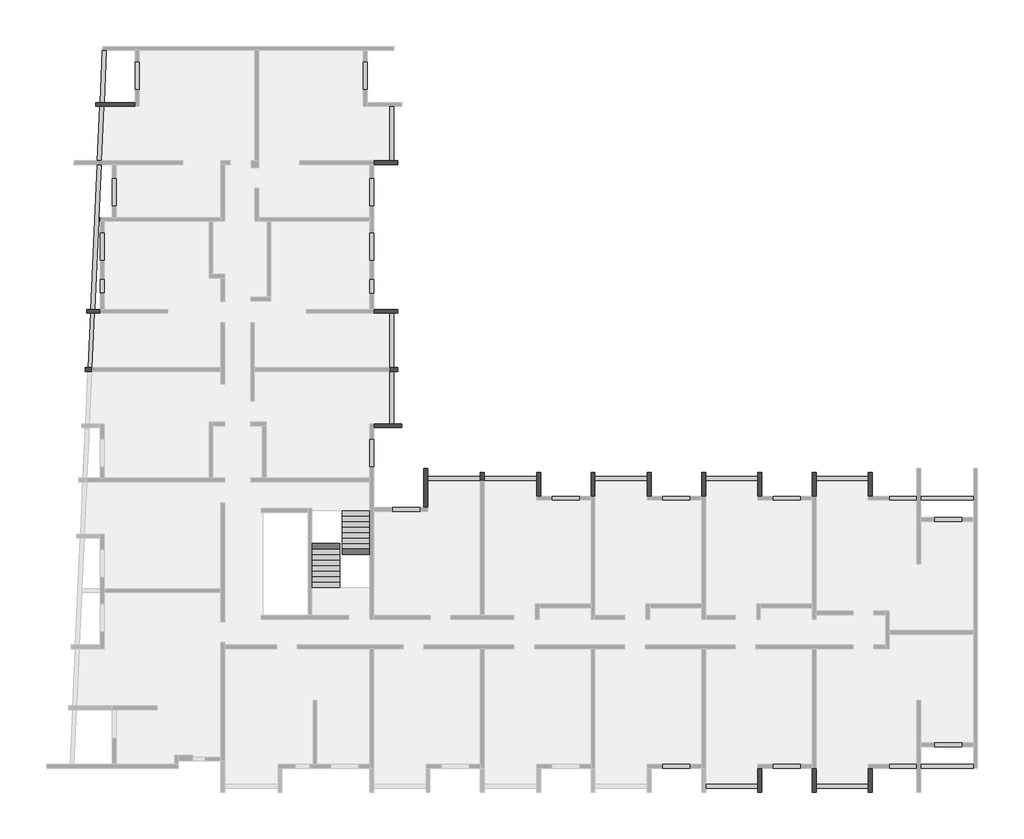
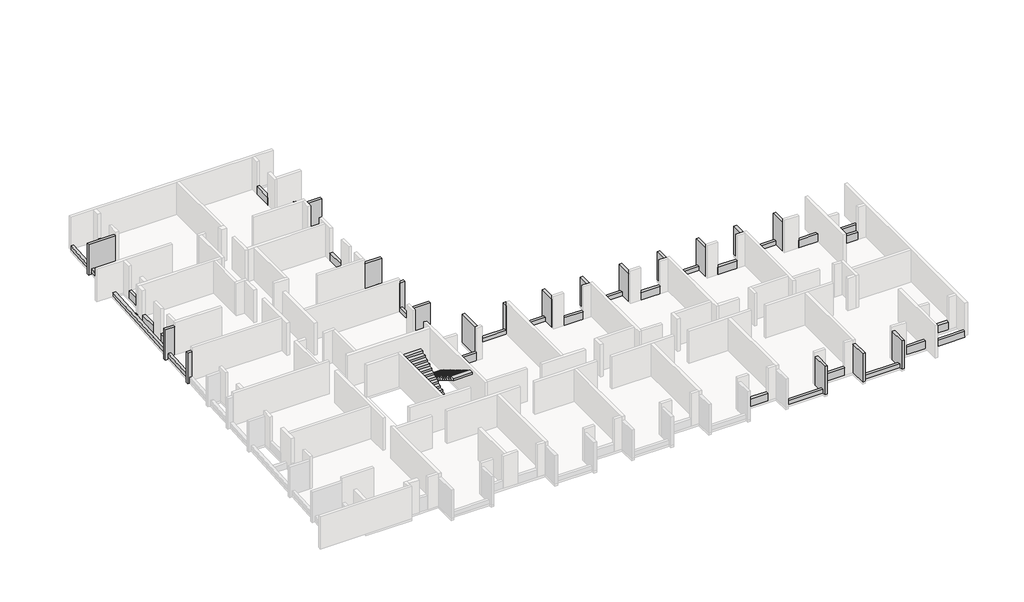
# One storey, part 4 of 4: 55 beams, 2 stair flights.
"""IFC4 building model written with IfcOpenShell, lengths in millimetres."""

from ifc_helpers import new_model, si_unit, frame, origin, place, context, project, spatial, polyline, outline, extrude, faceted_brep, element, save

model = new_model("IFC4")

# Units and contexts
model_context = context("Model", 3, world=origin())
ifc_project = project(units=[si_unit("LENGTHUNIT", "METRE", prefix="MILLI")], contexts=[model_context])

# Site, building, storey
site = spatial("IfcSite", under=ifc_project)
building = spatial("IfcBuilding", under=site)
storey = spatial("IfcBuildingStorey", under=building, Elevation=7230.0)

# Beams
placement = place(None, origin())
element("IfcBeam", 1, ObjectType="VI. 20/238", at=placement, inside=storey, context=model_context, shape_type="Brep", body=[
    faceted_brep([(-43135.6912908, 4000.9327501, 9460.0), (-43135.6912908, 4000.9327501, 7230.0), (-43135.6912908, 4000.9327501, 7080.0), (-43135.6912908, 4200.9327501, 7080.0), (-43135.6912908, 4200.9327501, 7230.0), (-43135.6912908, 4200.9327501, 9460.0), (-43830.6912908, 4000.9327501, 9460.0), (-43830.6912908, 4200.9327501, 9460.0), (-43830.6912908, 4200.9327501, 7080.0), (-43830.6912908, 4000.9327501, 7080.0)], [[[0, 1, 2, 3, 4, 5]], [[6, 7, 8, 9]], [[2, 1, 0, 6, 9]], [[3, 2, 9, 8]], [[5, 4, 3, 8, 7]], [[0, 5, 7, 6]]]),
])
element("IfcBeam", 2, ObjectType="VI. 20/238", at=placement, inside=storey, context=model_context, shape_type="Brep", body=[
    faceted_brep([(-3415.6912908, -5419.0672499, 9460.0), (-3615.6912908, -5419.0672499, 9460.0), (-3615.6912908, -5419.0672499, 7230.0), (-3415.6912908, -5419.0672499, 7230.0), (-3615.6912908, -4199.0672499, 9460.0), (-3415.6912908, -4199.0672499, 9460.0), (-3415.6912908, -4199.0672499, 7230.0), (-3615.6912908, -4199.0672499, 7230.0), (-3615.6912908, -4399.0672499, 7230.0), (-3615.6912908, -4599.0672499, 7230.0)], [[[0, 1, 2, 3]], [[4, 5, 6, 7]], [[1, 4, 7, 8, 9, 2]], [[5, 0, 3, 6]], [[1, 0, 5, 4]], [[3, 2, 9, 8, 7, 6]]]),
])
element("IfcBeam", 3, ObjectType="VI. 20/238", at=placement, inside=storey, context=model_context, shape_type="Brep", body=[
    faceted_brep([(-9105.6912908, -5419.0672499, 9460.0), (-9305.6912908, -5419.0672499, 9460.0), (-9305.6912908, -5419.0672499, 7230.0), (-9105.6912908, -5419.0672499, 7230.0), (-9305.6912908, -4199.0672499, 9460.0), (-9105.6912908, -4199.0672499, 9460.0), (-9105.6912908, -4199.0672499, 7230.0), (-9305.6912908, -4199.0672499, 7230.0), (-9305.6912908, -4399.0672499, 7230.0), (-9305.6912908, -4599.0672499, 7230.0)], [[[0, 1, 2, 3]], [[4, 5, 6, 7]], [[1, 4, 7, 8, 9, 2]], [[5, 0, 3, 6]], [[1, 0, 5, 4]], [[3, 2, 9, 8, 7, 6]]]),
])
element("IfcBeam", 4, ObjectType="VI. 20/238", at=placement, inside=storey, context=model_context, shape_type="Brep", body=[
    faceted_brep([(-20485.6912908, -5419.0672499, 9460.0), (-20685.6912908, -5419.0672499, 9460.0), (-20685.6912908, -5419.0672499, 7230.0), (-20485.6912908, -5419.0672499, 7230.0), (-20685.6912908, -4199.0672499, 9460.0), (-20485.6912908, -4199.0672499, 9460.0), (-20485.6912908, -4199.0672499, 7230.0), (-20685.6912908, -4199.0672499, 7230.0), (-20685.6912908, -4399.0672499, 7230.0), (-20685.6912908, -4399.0672499, 7530.0), (-20685.6912908, -4599.0672499, 7530.0), (-20685.6912908, -4599.0672499, 7230.0), (-20655.6912908, -4599.0672499, 7530.0), (-20655.6912908, -4399.0672499, 7530.0), (-20655.6912908, -4399.0672499, 7230.0), (-20655.6912908, -4599.0672499, 7230.0)], [[[0, 1, 2, 3]], [[4, 5, 6, 7]], [[1, 4, 7, 8, 9, 10, 11, 2]], [[5, 0, 3, 6]], [[1, 0, 5, 4]], [[12, 13, 14, 15]], [[10, 12, 15, 11]], [[13, 12, 10, 9]], [[13, 9, 8, 14]], [[3, 2, 11, 15, 14, 8, 7, 6]]]),
])
element("IfcBeam", 5, ObjectType="VI. 20/238", at=placement, inside=storey, context=model_context, shape_type="Brep", body=[
    faceted_brep([(-26495.6912908, -3999.0672499, 9460.0), (-26295.6912908, -3999.0672499, 9460.0), (-26295.6912908, -3999.0672499, 7230.0), (-26495.6912908, -3999.0672499, 7230.0), (-26295.6912908, -6004.0672499, 9460.0), (-26495.6912908, -6004.0672499, 9460.0), (-26495.6912908, -6004.0672499, 7230.0), (-26295.6912908, -6004.0672499, 7230.0), (-26295.6912908, -4599.0672499, 7230.0), (-26295.6912908, -4399.0672499, 7230.0)], [[[0, 1, 2, 3]], [[4, 5, 6, 7]], [[1, 4, 7, 8, 9, 2]], [[5, 0, 3, 6]], [[1, 0, 5, 4]], [[3, 2, 9, 8, 7, 6]]]),
])
element("IfcBeam", 6, ObjectType="VI. 20/238", at=placement, inside=storey, context=model_context, shape_type="Brep", body=[
    faceted_brep([(-14995.6912908, -4199.0672499, 9460.0), (-14795.6912908, -4199.0672499, 9460.0), (-14795.6912908, -4199.0672499, 7230.0), (-14995.6912908, -4199.0672499, 7230.0), (-14795.6912908, -5419.0672499, 9460.0), (-14995.6912908, -5419.0672499, 9460.0), (-14995.6912908, -5419.0672499, 7230.0), (-14795.6912908, -5419.0672499, 7230.0), (-14995.6912908, -4399.0672499, 7230.0), (-14995.6912908, -4399.0672499, 7530.0), (-14995.6912908, -4599.0672499, 7530.0), (-14995.6912908, -4599.0672499, 7230.0), (-14965.6912908, -4599.0672499, 7530.0), (-14965.6912908, -4399.0672499, 7530.0), (-14965.6912908, -4399.0672499, 7230.0), (-14965.6912908, -4599.0672499, 7230.0)], [[[0, 1, 2, 3]], [[4, 5, 6, 7]], [[1, 4, 7, 2]], [[5, 0, 3, 8, 9, 10, 11, 6]], [[1, 0, 5, 4]], [[12, 13, 14, 15]], [[10, 12, 15, 11]], [[13, 12, 10, 9]], [[13, 9, 8, 14]], [[3, 2, 7, 6, 11, 15, 14, 8]]]),
])
element("IfcBeam", 7, ObjectType="VI. 20/238", at=placement, inside=storey, context=model_context, shape_type="Brep", body=[
    faceted_brep([(-3415.6912908, -20669.0672499, 9460.0), (-3615.6912908, -20669.0672499, 9460.0), (-3615.6912908, -20669.0672499, 7230.0), (-3415.6912908, -20669.0672499, 7230.0), (-3615.6912908, -19419.0672499, 9460.0), (-3415.6912908, -19419.0672499, 9460.0), (-3415.6912908, -19419.0672499, 7230.0), (-3615.6912908, -19419.0672499, 7230.0), (-3615.6912908, -20249.0672499, 7230.0), (-3615.6912908, -20449.0672499, 7230.0)], [[[0, 1, 2, 3]], [[4, 5, 6, 7]], [[1, 4, 7, 8, 9, 2]], [[5, 0, 3, 6]], [[1, 0, 5, 4]], [[3, 2, 9, 8, 7, 6]]]),
])
element("IfcBeam", 8, ObjectType="VI. 20/238", at=placement, inside=storey, context=model_context, shape_type="Brep", body=[
    faceted_brep([(-6305.6912908, -20669.0672499, 9460.0), (-6505.6912908, -20669.0672499, 9460.0), (-6505.6912908, -20669.0672499, 7230.0), (-6305.6912908, -20669.0672499, 7230.0), (-6505.6912908, -19419.0672499, 9460.0), (-6305.6912908, -19419.0672499, 9460.0), (-6305.6912908, -19419.0672499, 7230.0), (-6505.6912908, -19419.0672499, 7230.0), (-6305.6912908, -20449.0672499, 7230.0), (-6305.6912908, -20249.0672499, 7230.0)], [[[0, 1, 2, 3]], [[4, 5, 6, 7]], [[1, 4, 7, 2]], [[5, 0, 3, 8, 9, 6]], [[1, 0, 5, 4]], [[3, 2, 7, 6, 9, 8]]]),
])
element("IfcBeam", 9, ObjectType="VI. 20/238", at=placement, inside=storey, context=model_context, shape_type="Brep", body=[
    faceted_brep([(-9105.6912908, -20669.0672499, 9460.0), (-9305.6912908, -20669.0672499, 9460.0), (-9305.6912908, -20669.0672499, 7230.0), (-9105.6912908, -20669.0672499, 7230.0), (-9305.6912908, -19419.0672499, 9460.0), (-9105.6912908, -19419.0672499, 9460.0), (-9105.6912908, -19419.0672499, 7230.0), (-9305.6912908, -19419.0672499, 7230.0), (-9305.6912908, -20249.0672499, 7230.0), (-9305.6912908, -20449.0672499, 7230.0)], [[[0, 1, 2, 3]], [[4, 5, 6, 7]], [[1, 4, 7, 8, 9, 2]], [[5, 0, 3, 6]], [[1, 0, 5, 4]], [[3, 2, 9, 8, 7, 6]]]),
])
element("IfcBeam", 10, ObjectType="VI. 20/238", at=placement, inside=storey, context=model_context, shape_type="Brep", body=[
    faceted_brep([(-43355.6912908, 14650.9327501, 9460.0), (-43355.6912908, 14850.9327501, 9460.0), (-43355.6912908, 14850.9327501, 7080.0), (-43355.6912908, 14650.9327501, 7080.0), (-43152.5942526, 14650.9327501, 7080.0), (-43152.5942526, 14650.9327501, 7230.0), (-42952.3885608, 14650.9327501, 7230.0), (-41335.6912908, 14650.9327501, 7230.0), (-41335.6912908, 14650.9327501, 9460.0), (-43143.5212701, 14850.9327501, 7080.0), (-41335.6912908, 14850.9327501, 9460.0), (-41335.6912908, 14850.9327501, 7230.0), (-42943.3155784, 14850.9327501, 7230.0), (-43143.5212701, 14850.9327501, 7230.0)], [[[0, 1, 2, 3]], [[0, 3, 4, 5, 6, 7, 8]], [[3, 2, 9, 4]], [[2, 1, 10, 11, 12, 13, 9]], [[1, 0, 8, 10]], [[10, 8, 7, 11]], [[13, 5, 4, 9]], [[5, 13, 12, 11, 7, 6]]]),
])
element("IfcBeam", 11, ObjectType="VI. 20/238", at=placement, inside=storey, context=model_context, shape_type="Brep", body=[
    faceted_brep([(-27635.6912908, -1689.5482142, 9460.0), (-27635.6912908, -1889.5482142, 9460.0), (-27635.6912908, -1889.5482142, 7230.0), (-27635.6912908, -1689.5482142, 7230.0), (-29065.6912908, -1889.5482142, 9460.0), (-29065.6912908, -1689.5482142, 9460.0), (-29065.6912908, -1689.5482142, 7230.0), (-29065.6912908, -1889.5482142, 7230.0), (-28035.6912908, -1689.5482142, 7230.0), (-28235.6912908, -1689.5482142, 7230.0)], [[[0, 1, 2, 3]], [[4, 5, 6, 7]], [[5, 0, 3, 8, 9, 6]], [[1, 4, 7, 2]], [[1, 0, 5, 4]], [[3, 2, 7, 6, 9, 8]]]),
])
element("IfcBeam", 12, ObjectType="VI. 20/238", at=placement, inside=storey, context=model_context, shape_type="Brep", body=[
    faceted_brep([(-43915.6912908, 1000.9327501, 9460.0), (-43915.6912908, 1200.9327501, 9460.0), (-43915.6912908, 1200.9327501, 7080.0), (-43915.6912908, 1000.9327501, 7080.0), (-43771.8253055, 1000.9327501, 7080.0), (-43771.8253055, 1000.9327501, 7230.0), (-43571.6196137, 1000.9327501, 7230.0), (-43571.6196137, 1000.9327501, 7530.0), (-43571.6196137, 1000.9327501, 9460.0), (-43762.752323, 1200.9327501, 7080.0), (-43562.5466312, 1200.9327501, 9460.0), (-43562.5466312, 1200.9327501, 7530.0), (-43562.5466312, 1200.9327501, 7230.0), (-43762.752323, 1200.9327501, 7230.0)], [[[0, 1, 2, 3]], [[0, 3, 4, 5, 6, 7, 8]], [[3, 2, 9, 4]], [[2, 1, 10, 11, 12, 13, 9]], [[1, 0, 8, 10]], [[13, 5, 4, 9]], [[5, 13, 12, 6]], [[8, 7, 6, 12, 11, 10]]]),
])
element("IfcBeam", 13, ObjectType="VI. 20/238", at=placement, inside=storey, context=model_context, shape_type="Brep", body=[
    faceted_brep([(-27835.6912908, 1200.9327501, 9460.0), (-27835.6912908, 1000.9327501, 9460.0), (-27835.6912908, 1000.9327501, 7230.0), (-27835.6912908, 1200.9327501, 7230.0), (-28235.6912908, 1000.9327501, 9460.0), (-28235.6912908, 1200.9327501, 9460.0), (-28235.6912908, 1200.9327501, 7530.0), (-28235.6912908, 1200.9327501, 7230.0), (-28235.6912908, 1000.9327501, 7230.0), (-28235.6912908, 1000.9327501, 7530.0), (-28035.6912908, 1200.9327501, 7230.0), (-28035.6912908, 1000.9327501, 7230.0)], [[[0, 1, 2, 3]], [[4, 5, 6, 7, 8, 9]], [[5, 0, 3, 10, 7, 6]], [[1, 4, 9, 8, 11, 2]], [[1, 0, 5, 4]], [[3, 2, 11, 8, 7, 10]]]),
])
element("IfcBeam", 14, ObjectType="VI. 20/238", at=placement, inside=storey, context=model_context, shape_type="Brep", body=[
    faceted_brep([(-17885.6912908, -4199.0672499, 9460.0), (-17685.6912908, -4199.0672499, 9460.0), (-17685.6912908, -4199.0672499, 7230.0), (-17885.6912908, -4199.0672499, 7230.0), (-17685.6912908, -5419.0672499, 9460.0), (-17885.6912908, -5419.0672499, 9460.0), (-17885.6912908, -5419.0672499, 7230.0), (-17685.6912908, -5419.0672499, 7230.0), (-17685.6912908, -4399.0672499, 7230.0)], [[[0, 1, 2, 3]], [[4, 5, 6, 7]], [[1, 4, 7, 8, 2]], [[5, 0, 3, 6]], [[1, 0, 5, 4]], [[3, 2, 8, 7, 6]]]),
])
element("IfcBeam", 15, ObjectType="VI. 20/238", at=placement, inside=storey, context=model_context, shape_type="Brep", body=[
    faceted_brep([(-6305.6912908, -5419.0672499, 9460.0), (-6505.6912908, -5419.0672499, 9460.0), (-6505.6912908, -5419.0672499, 7230.0), (-6305.6912908, -5419.0672499, 7230.0), (-6505.6912908, -4199.0672499, 9460.0), (-6305.6912908, -4199.0672499, 9460.0), (-6305.6912908, -4199.0672499, 7230.0), (-6505.6912908, -4199.0672499, 7230.0), (-6305.6912908, -4399.0672499, 7230.0)], [[[0, 1, 2, 3]], [[4, 5, 6, 7]], [[1, 4, 7, 2]], [[5, 0, 3, 8, 6]], [[1, 0, 5, 4]], [[3, 2, 7, 6, 8]]]),
])
element("IfcBeam", 16, ObjectType="VI. 20/238", at=placement, inside=storey, context=model_context, shape_type="Brep", body=[
    faceted_brep([(-11995.6912908, -5419.0672499, 9460.0), (-12195.6912908, -5419.0672499, 9460.0), (-12195.6912908, -5419.0672499, 7230.0), (-11995.6912908, -5419.0672499, 7230.0), (-12195.6912908, -4199.0672499, 9460.0), (-11995.6912908, -4199.0672499, 9460.0), (-11995.6912908, -4199.0672499, 7230.0), (-12195.6912908, -4199.0672499, 7230.0), (-11995.6912908, -4599.0672499, 7230.0), (-11995.6912908, -4399.0672499, 7230.0)], [[[0, 1, 2, 3]], [[4, 5, 6, 7]], [[1, 4, 7, 2]], [[5, 0, 3, 8, 9, 6]], [[1, 0, 5, 4]], [[3, 2, 7, 6, 9, 8]]]),
])
element("IfcBeam", 17, ObjectType="VI. 20/238", at=placement, inside=storey, context=model_context, shape_type="Brep", body=[
    faceted_brep([(-23375.6912908, -4599.0672499, 9460.0), (-23575.6912908, -4599.0672499, 9460.0), (-23575.6912908, -4599.0672499, 7230.0), (-23375.6912908, -4599.0672499, 7230.0), (-23575.6912908, -4199.0672499, 9460.0), (-23375.6912908, -4199.0672499, 9460.0), (-23375.6912908, -4199.0672499, 7230.0), (-23575.6912908, -4199.0672499, 7230.0), (-23575.6912908, -4399.0672499, 7230.0), (-23375.6912908, -4399.0672499, 7230.0)], [[[0, 1, 2, 3]], [[4, 5, 6, 7]], [[1, 4, 7, 8, 2]], [[5, 0, 3, 9, 6]], [[1, 0, 5, 4]], [[3, 2, 8, 7, 6, 9]]]),
])
element("IfcBeam", 18, ObjectType="VI. 20/238", at=placement, inside=storey, context=model_context, shape_type="Brep", body=[
    faceted_brep([(-27835.6912908, 4200.9327501, 9460.0), (-27835.6912908, 4000.9327501, 9460.0), (-27835.6912908, 4000.9327501, 7230.0), (-27835.6912908, 4200.9327501, 7230.0), (-29065.6912908, 4000.9327501, 9460.0), (-29065.6912908, 4200.9327501, 9460.0), (-29065.6912908, 4200.9327501, 7230.0), (-29065.6912908, 4000.9327501, 7230.0), (-28235.6912908, 4000.9327501, 7230.0), (-28035.6912908, 4000.9327501, 7230.0)], [[[0, 1, 2, 3]], [[4, 5, 6, 7]], [[5, 0, 3, 6]], [[1, 4, 7, 8, 9, 2]], [[1, 0, 5, 4]], [[3, 2, 9, 8, 7, 6]]]),
])
element("IfcBeam", 19, ObjectType="VI. 20/238", at=placement, inside=storey, context=model_context, shape_type="Brep", body=[
    faceted_brep([(-27835.6912908, 11850.9327501, 9460.0), (-27835.6912908, 11650.9327501, 9460.0), (-27835.6912908, 11650.9327501, 7230.0), (-27835.6912908, 11850.9327501, 7230.0), (-29065.6912908, 11650.9327501, 9460.0), (-29065.6912908, 11850.9327501, 9460.0), (-29065.6912908, 11850.9327501, 7230.0), (-29065.6912908, 11650.9327501, 7230.0), (-28035.6912908, 11850.9327501, 7230.0), (-28235.6912908, 11850.9327501, 7230.0)], [[[0, 1, 2, 3]], [[4, 5, 6, 7]], [[5, 0, 3, 8, 9, 6]], [[1, 4, 7, 2]], [[1, 0, 5, 4]], [[3, 2, 7, 6, 9, 8]]]),
])
element("IfcBeam", 20, ObjectType="VI. 20/45", at=placement, inside=storey, context=model_context, shape_type="SweptSolid", body=[
    extrude(outline(polyline([(-3615.6912908, -4399.0672499), (-3615.6912908, -4599.0672499), (-6305.6912908, -4599.0672499), (-6305.6912908, -4399.0672499), (-3615.6912908, -4399.0672499)])), frame((0.0, 0.0, 7230.0), z_axis=(0.0, 0.0, 1.0), x_axis=(1.0, 0.0, 0.0)), (0.0, 0.0, 1.0), 300.0),
])
element("IfcBeam", 21, ObjectType="VI. 20/45", at=placement, inside=storey, context=model_context, shape_type="SweptSolid", body=[
    extrude(outline(polyline([(-9305.6912908, -4399.0672499), (-9305.6912908, -4599.0672499), (-11995.6912908, -4599.0672499), (-11995.6912908, -4399.0672499), (-9305.6912908, -4399.0672499)])), frame((0.0, 0.0, 7230.0), z_axis=(0.0, 0.0, 1.0), x_axis=(1.0, 0.0, 0.0)), (0.0, 0.0, 1.0), 300.0),
])
element("IfcBeam", 22, ObjectType="VI. 20/45", at=placement, inside=storey, context=model_context, shape_type="Brep", body=[
    faceted_brep([(-14965.6912908, -4399.0672499, 7530.0), (-14965.6912908, -4599.0672499, 7530.0), (-14965.6912908, -4599.0672499, 7230.0), (-14965.6912908, -4399.0672499, 7230.0), (-17685.6912908, -4599.0672499, 7530.0), (-17685.6912908, -4399.0672499, 7530.0), (-17685.6912908, -4399.0672499, 7230.0), (-17685.6912908, -4599.0672499, 7230.0), (-14995.6912908, -4599.0672499, 7530.0), (-14995.6912908, -4599.0672499, 7230.0), (-14995.6912908, -4399.0672499, 7530.0), (-14995.6912908, -4399.0672499, 7230.0)], [[[0, 1, 2, 3]], [[4, 5, 6, 7]], [[1, 8, 4, 7, 9, 2]], [[5, 10, 0, 3, 11, 6]], [[1, 0, 10, 5, 4, 8]], [[3, 2, 9, 7, 6, 11]]]),
])
element("IfcBeam", 23, ObjectType="VI. 20/45", at=placement, inside=storey, context=model_context, shape_type="Brep", body=[
    faceted_brep([(-20655.6912908, -4399.0672499, 7530.0), (-20655.6912908, -4599.0672499, 7530.0), (-20655.6912908, -4599.0672499, 7230.0), (-20655.6912908, -4399.0672499, 7230.0), (-23375.6912908, -4599.0672499, 7530.0), (-23375.6912908, -4399.0672499, 7530.0), (-23375.6912908, -4399.0672499, 7230.0), (-23375.6912908, -4599.0672499, 7230.0), (-20685.6912908, -4599.0672499, 7530.0), (-20685.6912908, -4599.0672499, 7230.0), (-20685.6912908, -4399.0672499, 7530.0), (-20685.6912908, -4399.0672499, 7230.0)], [[[0, 1, 2, 3]], [[4, 5, 6, 7]], [[1, 8, 4, 7, 9, 2]], [[5, 10, 0, 3, 11, 6]], [[1, 0, 10, 5, 4, 8]], [[3, 2, 9, 7, 6, 11]]]),
])
element("IfcBeam", 24, ObjectType="VI. 20/45", at=placement, inside=storey, context=model_context, shape_type="SweptSolid", body=[
    extrude(outline(polyline([(-23575.6912908, -4399.0672499), (-23575.6912908, -4599.0672499), (-26295.6912908, -4599.0672499), (-26295.6912908, -4399.0672499), (-23575.6912908, -4399.0672499)])), frame((0.0, 0.0, 7230.0), z_axis=(0.0, 0.0, 1.0), x_axis=(1.0, 0.0, 0.0)), (0.0, 0.0, 1.0), 300.0),
])
element("IfcBeam", 25, ObjectType="VI. 20/45", at=placement, inside=storey, context=model_context, shape_type="SweptSolid", body=[
    extrude(outline(polyline([(-6305.6912908, -20449.0672499), (-6305.6912908, -20249.0672499), (-3615.6912908, -20249.0672499), (-3615.6912908, -20449.0672499), (-6305.6912908, -20449.0672499)])), frame((0.0, 0.0, 7230.0), z_axis=(0.0, 0.0, 1.0), x_axis=(1.0, 0.0, 0.0)), (0.0, 0.0, 1.0), 300.0),
])
element("IfcBeam", 26, ObjectType="VI. 20/45", at=placement, inside=storey, context=model_context, shape_type="SweptSolid", body=[
    extrude(outline(polyline([(-9305.6912908, -20249.0672499), (-9305.6912908, -20449.0672499), (-11995.6912908, -20449.0672499), (-11995.6912908, -20249.0672499), (-9305.6912908, -20249.0672499)])), frame((0.0, 0.0, 7230.0), z_axis=(0.0, 0.0, 1.0), x_axis=(1.0, 0.0, 0.0)), (0.0, 0.0, 1.0), 300.0),
])
element("IfcBeam", 27, ObjectType="VI. 20/45", at=placement, inside=storey, context=model_context, shape_type="SweptSolid", body=[
    extrude(outline(polyline([(-28235.6912908, 14650.9327501), (-28035.6912908, 14650.9327501), (-28035.6912908, 11850.9327501), (-28235.6912908, 11850.9327501), (-28235.6912908, 14650.9327501)])), frame((0.0, 0.0, 7230.0), z_axis=(0.0, 0.0, 1.0), x_axis=(1.0, 0.0, 0.0)), (0.0, 0.0, 1.0), 300.0),
])
element("IfcBeam", 28, ObjectType="VI. 20/45", at=placement, inside=storey, context=model_context, shape_type="SweptSolid", body=[
    extrude(outline(polyline([(-28235.6912908, 4000.9327501), (-28035.6912908, 4000.9327501), (-28035.6912908, 1200.9327501), (-28235.6912908, 1200.9327501), (-28235.6912908, 4000.9327501)])), frame((0.0, 0.0, 7230.0), z_axis=(0.0, 0.0, 1.0), x_axis=(1.0, 0.0, 0.0)), (0.0, 0.0, 1.0), 300.0),
])
element("IfcBeam", 29, ObjectType="VI. 20/45", at=placement, inside=storey, context=model_context, shape_type="SweptSolid", body=[
    extrude(outline(polyline([(-28035.6912908, -1689.5482142), (-28235.6912908, -1689.5482142), (-28235.6912908, 1000.9327501), (-28035.6912908, 1000.9327501), (-28035.6912908, -1689.5482142)])), frame((0.0, 0.0, 7230.0), z_axis=(0.0, 0.0, 1.0), x_axis=(1.0, 0.0, 0.0)), (0.0, 0.0, 1.0), 300.0),
])
element("IfcBeam", 30, ObjectType="VI. 20/45", at=placement, inside=storey, context=model_context, shape_type="SweptSolid", body=[
    extrude(outline(polyline([(-43021.9433052, 17530.9327501), (-42821.7376134, 17530.9327501), (-42943.3155784, 14850.9327501), (-43143.5212701, 14850.9327501), (-43021.9433052, 17530.9327501)])), frame((0.0, 0.0, 7230.0), z_axis=(0.0, 0.0, 1.0), x_axis=(1.0, 0.0, 0.0)), (0.0, 0.0, 1.0), 300.0),
])
element("IfcBeam", 31, ObjectType="VI. 20/45", at=placement, inside=storey, context=model_context, shape_type="SweptSolid", body=[
    extrude(outline(polyline([(-43152.5942526, 14650.9327501), (-42952.3885608, 14650.9327501), (-43079.4103153, 11850.9327501), (-43279.616007, 11850.9327501), (-43152.5942526, 14650.9327501)])), frame((0.0, 0.0, 7230.0), z_axis=(0.0, 0.0, 1.0), x_axis=(1.0, 0.0, 0.0)), (0.0, 0.0, 1.0), 300.0),
])
element("IfcBeam", 32, ObjectType="VI. 20/45", at=placement, inside=storey, context=model_context, shape_type="SweptSolid", body=[
    extrude(outline(polyline([(-43135.6912908, 8730.9327501), (-43220.9488416, 8730.9327501), (-43211.8758592, 8930.9327501), (-43135.6912908, 8930.9327501), (-43135.6912908, 8730.9327501)])), frame((0.0, 0.0, 7230.0), z_axis=(0.0, 0.0, 1.0), x_axis=(1.0, 0.0, 0.0)), (0.0, 0.0, 1.0), 300.0),
])
element("IfcBeam", 33, ObjectType="VI. 20/45", at=placement, inside=storey, context=model_context, shape_type="Brep", body=[
    faceted_brep([(-43426.4518943, 4200.9327501, 7530.0), (-43426.4518943, 4200.9327501, 7230.0), (-43220.9488416, 8730.9327501, 7230.0), (-43211.8758592, 8930.9327501, 7230.0), (-43088.4832977, 11650.9327501, 7230.0), (-43088.4832977, 11650.9327501, 7530.0), (-43211.8758592, 8930.9327501, 7530.0), (-43220.9488416, 8730.9327501, 7530.0), (-43626.6575861, 4200.9327501, 7230.0), (-43626.6575861, 4200.9327501, 7530.0), (-43288.6889895, 11650.9327501, 7530.0), (-43288.6889895, 11650.9327501, 7230.0)], [[[0, 1, 2, 3, 4, 5, 6, 7]], [[8, 9, 10, 11]], [[9, 0, 7, 6, 5, 10]], [[0, 9, 8, 1]], [[2, 1, 8, 11, 4, 3]], [[5, 4, 11, 10]]]),
])
element("IfcBeam", 34, ObjectType="VI. 20/45", at=placement, inside=storey, context=model_context, shape_type="SweptSolid", body=[
    extrude(outline(polyline([(-43635.7305686, 4000.9327501), (-43435.5248768, 4000.9327501), (-43562.5466312, 1200.9327501), (-43762.752323, 1200.9327501), (-43635.7305686, 4000.9327501)])), frame((0.0, 0.0, 7230.0), z_axis=(0.0, 0.0, 1.0), x_axis=(1.0, 0.0, 0.0)), (0.0, 0.0, 1.0), 300.0),
])
element("IfcBeam", 35, ObjectType="VI. 20/47", at=placement, inside=storey, context=model_context, shape_type="Brep", body=[
    faceted_brep([(1794.3087092, -5619.0672499, 7550.0), (1794.3087092, -5619.0672499, 7080.0), (1794.3087092, -5419.0672499, 7080.0), (1794.3087092, -5419.0672499, 7550.0), (-925.6912908, -5619.0672499, 7550.0), (-925.6912908, -5419.0672499, 7550.0), (-925.6912908, -5419.0672499, 7230.0), (-925.6912908, -5419.0672499, 7080.0), (-925.6912908, -5619.0672499, 7080.0), (-925.6912908, -5619.0672499, 7230.0)], [[[0, 1, 2, 3]], [[4, 5, 6, 7, 8, 9]], [[1, 0, 4, 9, 8]], [[2, 1, 8, 7]], [[3, 2, 7, 6, 5]], [[0, 3, 5, 4]]]),
])
element("IfcBeam", 36, ObjectType="VI. 20/47", at=placement, inside=storey, context=model_context, shape_type="Brep", body=[
    faceted_brep([(1794.3087092, -19419.0672499, 7550.0), (1794.3087092, -19419.0672499, 7230.0), (1794.3087092, -19419.0672499, 7080.0), (1794.3087092, -19219.0672499, 7080.0), (1794.3087092, -19219.0672499, 7550.0), (-925.6912908, -19419.0672499, 7550.0), (-925.6912908, -19219.0672499, 7550.0), (-925.6912908, -19219.0672499, 7230.0), (-925.6912908, -19219.0672499, 7080.0), (-925.6912908, -19419.0672499, 7080.0), (-925.6912908, -19419.0672499, 7230.0)], [[[0, 1, 2, 3, 4]], [[5, 6, 7, 8, 9, 10]], [[2, 1, 0, 5, 10, 9]], [[3, 2, 9, 8]], [[4, 3, 8, 7, 6]], [[0, 4, 6, 5]]]),
])
element("IfcBeam", 37, ObjectType="VI. 20/75", at=placement, inside=storey, context=model_context, shape_type="SweptSolid", body=[
    extrude(outline(polyline([(1189.3087092, -6519.0672499), (1189.3087092, -6719.0672499), (-200.6912908, -6719.0672499), (-200.6912908, -6519.0672499), (1189.3087092, -6519.0672499)])), frame((0.0, 0.0, 7230.0), z_axis=(0.0, 0.0, 1.0), x_axis=(1.0, 0.0, 0.0)), (0.0, 0.0, 1.0), 600.0),
])
element("IfcBeam", 38, ObjectType="VI. 20/75", at=placement, inside=storey, context=model_context, shape_type="SweptSolid", body=[
    extrude(outline(polyline([(-1125.6912908, -5419.0672499), (-1125.6912908, -5619.0672499), (-2545.6912908, -5619.0672499), (-2545.6912908, -5419.0672499), (-1125.6912908, -5419.0672499)])), frame((0.0, 0.0, 7230.0), z_axis=(0.0, 0.0, 1.0), x_axis=(1.0, 0.0, 0.0)), (0.0, 0.0, 1.0), 600.0),
])
element("IfcBeam", 39, ObjectType="VI. 20/75", at=placement, inside=storey, context=model_context, shape_type="SweptSolid", body=[
    extrude(outline(polyline([(1189.3087092, -18119.0672499), (1189.3087092, -18319.0672499), (-200.6912908, -18319.0672499), (-200.6912908, -18119.0672499), (1189.3087092, -18119.0672499)])), frame((0.0, 0.0, 7230.0), z_axis=(0.0, 0.0, 1.0), x_axis=(1.0, 0.0, 0.0)), (0.0, 0.0, 1.0), 600.0),
])
element("IfcBeam", 40, ObjectType="VI. 20/75", at=placement, inside=storey, context=model_context, shape_type="SweptSolid", body=[
    extrude(outline(polyline([(-1125.6912908, -19219.0672499), (-1125.6912908, -19419.0672499), (-2545.6912908, -19419.0672499), (-2545.6912908, -19219.0672499), (-1125.6912908, -19219.0672499)])), frame((0.0, 0.0, 7230.0), z_axis=(0.0, 0.0, 1.0), x_axis=(1.0, 0.0, 0.0)), (0.0, 0.0, 1.0), 600.0),
])
element("IfcBeam", 41, ObjectType="VI. 20/75", at=placement, inside=storey, context=model_context, shape_type="SweptSolid", body=[
    extrude(outline(polyline([(-7085.6912908, -5419.0672499), (-7085.6912908, -5619.0672499), (-8525.6912908, -5619.0672499), (-8525.6912908, -5419.0672499), (-7085.6912908, -5419.0672499)])), frame((0.0, 0.0, 7230.0), z_axis=(0.0, 0.0, 1.0), x_axis=(1.0, 0.0, 0.0)), (0.0, 0.0, 1.0), 600.0),
])
element("IfcBeam", 42, ObjectType="VI. 20/75", at=placement, inside=storey, context=model_context, shape_type="SweptSolid", body=[
    extrude(outline(polyline([(-7085.6912908, -19219.0672499), (-7085.6912908, -19419.0672499), (-8525.6912908, -19419.0672499), (-8525.6912908, -19219.0672499), (-7085.6912908, -19219.0672499)])), frame((0.0, 0.0, 7230.0), z_axis=(0.0, 0.0, 1.0), x_axis=(1.0, 0.0, 0.0)), (0.0, 0.0, 1.0), 600.0),
])
element("IfcBeam", 43, ObjectType="VI. 20/75", at=placement, inside=storey, context=model_context, shape_type="SweptSolid", body=[
    extrude(outline(polyline([(-12775.6912908, -19219.0672499), (-12775.6912908, -19419.0672499), (-14215.6912908, -19419.0672499), (-14215.6912908, -19219.0672499), (-12775.6912908, -19219.0672499)])), frame((0.0, 0.0, 7230.0), z_axis=(0.0, 0.0, 1.0), x_axis=(1.0, 0.0, 0.0)), (0.0, 0.0, 1.0), 600.0),
])
element("IfcBeam", 44, ObjectType="VI. 20/75", at=placement, inside=storey, context=model_context, shape_type="SweptSolid", body=[
    extrude(outline(polyline([(-41135.6912908, 15510.9327501), (-41335.6912908, 15510.9327501), (-41335.6912908, 16950.9327501), (-41135.6912908, 16950.9327501), (-41135.6912908, 15510.9327501)])), frame((0.0, 0.0, 7230.0), z_axis=(0.0, 0.0, 1.0), x_axis=(1.0, 0.0, 0.0)), (0.0, 0.0, 1.0), 600.0),
])
element("IfcBeam", 45, ObjectType="VI. 20/75", at=placement, inside=storey, context=model_context, shape_type="SweptSolid", body=[
    extrude(outline(polyline([(-42525.6912908, 10950.9327501), (-42325.6912908, 10950.9327501), (-42325.6912908, 9510.9327501), (-42525.6912908, 9510.9327501), (-42525.6912908, 10950.9327501)])), frame((0.0, 0.0, 7230.0), z_axis=(0.0, 0.0, 1.0), x_axis=(1.0, 0.0, 0.0)), (0.0, 0.0, 1.0), 600.0),
])
element("IfcBeam", 46, ObjectType="VI. 20/75", at=placement, inside=storey, context=model_context, shape_type="SweptSolid", body=[
    extrude(outline(polyline([(-29265.6912908, 8150.9327501), (-29065.6912908, 8150.9327501), (-29065.6912908, 6710.9327501), (-29265.6912908, 6710.9327501), (-29265.6912908, 8150.9327501)])), frame((0.0, 0.0, 7230.0), z_axis=(0.0, 0.0, 1.0), x_axis=(1.0, 0.0, 0.0)), (0.0, 0.0, 1.0), 600.0),
])
element("IfcBeam", 47, ObjectType="VI. 20/75", at=placement, inside=storey, context=model_context, shape_type="SweptSolid", body=[
    extrude(outline(polyline([(-29065.6912908, -3909.0672499), (-29265.6912908, -3909.0672499), (-29265.6912908, -2469.0672499), (-29065.6912908, -2469.0672499), (-29065.6912908, -3909.0672499)])), frame((0.0, 0.0, 7230.0), z_axis=(0.0, 0.0, 1.0), x_axis=(1.0, 0.0, 0.0)), (0.0, 0.0, 1.0), 600.0),
])
element("IfcBeam", 48, ObjectType="VI. 20/75", at=placement, inside=storey, context=model_context, shape_type="SweptSolid", body=[
    extrude(outline(polyline([(-42935.6912908, 6710.9327501), (-43135.6912908, 6710.9327501), (-43135.6912908, 8150.9327501), (-42935.6912908, 8150.9327501), (-42935.6912908, 6710.9327501)])), frame((0.0, 0.0, 7230.0), z_axis=(0.0, 0.0, 1.0), x_axis=(1.0, 0.0, 0.0)), (0.0, 0.0, 1.0), 600.0),
])
element("IfcBeam", 49, ObjectType="VI. 20/75", at=placement, inside=storey, context=model_context, shape_type="SweptSolid", body=[
    extrude(outline(polyline([(-12775.6912908, -5419.0672499), (-12775.6912908, -5619.0672499), (-14215.6912908, -5619.0672499), (-14215.6912908, -5419.0672499), (-12775.6912908, -5419.0672499)])), frame((0.0, 0.0, 7230.0), z_axis=(0.0, 0.0, 1.0), x_axis=(1.0, 0.0, 0.0)), (0.0, 0.0, 1.0), 600.0),
])
element("IfcBeam", 50, ObjectType="VI. 20/75", at=placement, inside=storey, context=model_context, shape_type="SweptSolid", body=[
    extrude(outline(polyline([(-18465.6912908, -5419.0672499), (-18465.6912908, -5619.0672499), (-19905.6912908, -5619.0672499), (-19905.6912908, -5419.0672499), (-18465.6912908, -5419.0672499)])), frame((0.0, 0.0, 7230.0), z_axis=(0.0, 0.0, 1.0), x_axis=(1.0, 0.0, 0.0)), (0.0, 0.0, 1.0), 600.0),
])
element("IfcBeam", 51, ObjectType="VI. 20/75", at=placement, inside=storey, context=model_context, shape_type="SweptSolid", body=[
    extrude(outline(polyline([(-26675.6912908, -6004.0672499), (-26675.6912908, -6204.0672499), (-28115.6912908, -6204.0672499), (-28115.6912908, -6004.0672499), (-26675.6912908, -6004.0672499)])), frame((0.0, 0.0, 7230.0), z_axis=(0.0, 0.0, 1.0), x_axis=(1.0, 0.0, 0.0)), (0.0, 0.0, 1.0), 600.0),
])
element("IfcBeam", 52, ObjectType="VI. 20/75", at=placement, inside=storey, context=model_context, shape_type="SweptSolid", body=[
    extrude(outline(polyline([(-42935.6912908, 5030.9327501), (-43135.6912908, 5030.9327501), (-43135.6912908, 5770.9327501), (-42935.6912908, 5770.9327501), (-42935.6912908, 5030.9327501)])), frame((0.0, 0.0, 7230.0), z_axis=(0.0, 0.0, 1.0), x_axis=(1.0, 0.0, 0.0)), (0.0, 0.0, 1.0), 600.0),
])
element("IfcBeam", 53, ObjectType="VI. 20/75", at=placement, inside=storey, context=model_context, shape_type="SweptSolid", body=[
    extrude(outline(polyline([(-29265.6912908, 5760.9327501), (-29065.6912908, 5760.9327501), (-29065.6912908, 5020.9327501), (-29265.6912908, 5020.9327501), (-29265.6912908, 5760.9327501)])), frame((0.0, 0.0, 7230.0), z_axis=(0.0, 0.0, 1.0), x_axis=(1.0, 0.0, 0.0)), (0.0, 0.0, 1.0), 600.0),
])
element("IfcBeam", 54, ObjectType="VI. 20/75", at=placement, inside=storey, context=model_context, shape_type="SweptSolid", body=[
    extrude(outline(polyline([(-29265.6912908, 10925.9327501), (-29065.6912908, 10925.9327501), (-29065.6912908, 9535.9327501), (-29265.6912908, 9535.9327501), (-29265.6912908, 10925.9327501)])), frame((0.0, 0.0, 7230.0), z_axis=(0.0, 0.0, 1.0), x_axis=(1.0, 0.0, 0.0)), (0.0, 0.0, 1.0), 600.0),
])
element("IfcBeam", 55, ObjectType="VI. 20/75", at=placement, inside=storey, context=model_context, shape_type="SweptSolid", body=[
    extrude(outline(polyline([(-29595.6912908, 16950.9327501), (-29395.6912908, 16950.9327501), (-29395.6912908, 15510.9327501), (-29595.6912908, 15510.9327501), (-29595.6912908, 16950.9327501)])), frame((0.0, 0.0, 7230.0), z_axis=(0.0, 0.0, 1.0), x_axis=(1.0, 0.0, 0.0)), (0.0, 0.0, 1.0), 600.0),
])

# Stair flights
element("IfcStairFlight", 56, at=placement, inside=storey, context=model_context, shape_type="Brep", body=[
    faceted_brep([(-32245.6912908, -9824.0672499, 7398.6666667), (-32245.6912908, -10104.0672499, 7398.6666667), (-30815.6912908, -10104.0672499, 7398.6666667), (-30815.6912908, -9824.0672499, 7398.6666667), (-30815.6912908, -10104.0672499, 7230.0), (-30815.6912908, -9852.1266309, 7230.0), (-30815.6912908, -9824.0672499, 7246.9024366), (-32245.6912908, -10104.0672499, 7230.0), (-32245.6912908, -9824.0672499, 7246.9024366), (-32245.6912908, -9852.1266309, 7230.0), (-32245.6912908, -9544.0672499, 7567.3333333), (-32245.6912908, -9824.0672499, 7567.3333333), (-30815.6912908, -9824.0672499, 7567.3333333), (-30815.6912908, -9544.0672499, 7567.3333333), (-30815.6912908, -9544.0672499, 7415.5691033), (-32245.6912908, -9544.0672499, 7415.5691033), (-32245.6912908, -9264.0672499, 7736.0), (-32245.6912908, -9544.0672499, 7736.0), (-30815.6912908, -9544.0672499, 7736.0), (-30815.6912908, -9264.0672499, 7736.0), (-30815.6912908, -9264.0672499, 7584.23577), (-32245.6912908, -9264.0672499, 7584.23577), (-32245.6912908, -8984.0672499, 7904.6666667), (-32245.6912908, -9264.0672499, 7904.6666667), (-30815.6912908, -9264.0672499, 7904.6666667), (-30815.6912908, -8984.0672499, 7904.6666667), (-30815.6912908, -8984.0672499, 7752.9024366), (-32245.6912908, -8984.0672499, 7752.9024366), (-32245.6912908, -8704.0672499, 8073.3333333), (-32245.6912908, -8984.0672499, 8073.3333333), (-30815.6912908, -8984.0672499, 8073.3333333), (-30815.6912908, -8704.0672499, 8073.3333333), (-30815.6912908, -8704.0672499, 7921.5691033), (-32245.6912908, -8704.0672499, 7921.5691033), (-32245.6912908, -8424.0672499, 8242.0), (-32245.6912908, -8704.0672499, 8242.0), (-30815.6912908, -8704.0672499, 8242.0), (-30815.6912908, -8424.0672499, 8242.0), (-30815.6912908, -8424.0672499, 8090.23577), (-32245.6912908, -8424.0672499, 8090.23577), (-32245.6912908, -8144.0672499, 8410.6666667), (-32245.6912908, -8424.0672499, 8410.6666667), (-30815.6912908, -8424.0672499, 8410.6666667), (-30815.6912908, -8144.0672499, 8410.6666667), (-30815.6912908, -8144.0672499, 8258.9024366), (-32245.6912908, -8144.0672499, 8258.9024366), (-32245.6912908, -7864.0672499, 8579.3333333), (-32245.6912908, -8144.0672499, 8579.3333333), (-30815.6912908, -8144.0672499, 8579.3333333), (-30815.6912908, -7864.0672499, 8579.3333333), (-30815.6912908, -7864.0672499, 8427.5691033), (-32245.6912908, -7864.0672499, 8427.5691033), (-32245.6912908, -7584.0672499, 8748.0), (-32245.6912908, -7864.0672499, 8748.0), (-30815.6912908, -7864.0672499, 8748.0), (-30815.6912908, -7584.0672499, 8748.0), (-30815.6912908, -7584.0672499, 8596.23577), (-32245.6912908, -7584.0672499, 8596.23577), (-32245.6912908, -7304.0672499, 8916.6666667), (-32245.6912908, -7584.0672499, 8916.6666667), (-30815.6912908, -7584.0672499, 8916.6666667), (-30815.6912908, -7304.0672499, 8916.6666667), (-30815.6912908, -7304.0672499, 8764.9024366), (-32245.6912908, -7304.0672499, 8764.9024366), (-32245.6912908, -7024.0672499, 9085.3333333), (-32245.6912908, -7304.0672499, 9085.3333333), (-30815.6912908, -7304.0672499, 9085.3333333), (-30815.6912908, -7024.0672499, 9085.3333333), (-30815.6912908, -7024.0672499, 8933.5691033), (-32245.6912908, -7024.0672499, 8933.5691033), (-32245.6912908, -6744.0672499, 9254.0), (-32245.6912908, -7024.0672499, 9254.0), (-30815.6912908, -7024.0672499, 9254.0), (-30815.6912908, -6744.0672499, 9254.0), (-30815.6912908, -6744.0672499, 9102.23577), (-32245.6912908, -6744.0672499, 9102.23577), (-32245.6912908, -6464.0672499, 9422.6666667), (-32245.6912908, -6744.0672499, 9422.6666667), (-30815.6912908, -6744.0672499, 9422.6666667), (-30815.6912908, -6464.0672499, 9422.6666667), (-30815.6912908, -6464.0672499, 9270.9024366), (-32245.6912908, -6464.0672499, 9270.9024366), (-32245.6912908, -6184.0672499, 9591.3333333), (-32245.6912908, -6464.0672499, 9591.3333333), (-30815.6912908, -6464.0672499, 9591.3333333), (-30815.6912908, -6184.0672499, 9591.3333333), (-30815.6912908, -6184.0672499, 9439.5691033), (-32245.6912908, -6184.0672499, 9439.5691033)], [[[0, 1, 2, 3]], [[3, 2, 4, 5, 6]], [[2, 1, 7, 4]], [[1, 0, 8, 9, 7]], [[10, 11, 12, 13]], [[13, 12, 3, 6, 14]], [[0, 3, 12, 11]], [[11, 10, 15, 8, 0]], [[16, 17, 18, 19]], [[19, 18, 13, 14, 20]], [[10, 13, 18, 17]], [[17, 16, 21, 15, 10]], [[22, 23, 24, 25]], [[25, 24, 19, 20, 26]], [[16, 19, 24, 23]], [[23, 22, 27, 21, 16]], [[28, 29, 30, 31]], [[31, 30, 25, 26, 32]], [[22, 25, 30, 29]], [[29, 28, 33, 27, 22]], [[34, 35, 36, 37]], [[37, 36, 31, 32, 38]], [[28, 31, 36, 35]], [[35, 34, 39, 33, 28]], [[40, 41, 42, 43]], [[43, 42, 37, 38, 44]], [[34, 37, 42, 41]], [[41, 40, 45, 39, 34]], [[46, 47, 48, 49]], [[49, 48, 43, 44, 50]], [[40, 43, 48, 47]], [[47, 46, 51, 45, 40]], [[52, 53, 54, 55]], [[55, 54, 49, 50, 56]], [[46, 49, 54, 53]], [[53, 52, 57, 51, 46]], [[58, 59, 60, 61]], [[61, 60, 55, 56, 62]], [[52, 55, 60, 59]], [[59, 58, 63, 57, 52]], [[64, 65, 66, 67]], [[67, 66, 61, 62, 68]], [[58, 61, 66, 65]], [[65, 64, 69, 63, 58]], [[70, 71, 72, 73]], [[73, 72, 67, 68, 74]], [[64, 67, 72, 71]], [[71, 70, 75, 69, 64]], [[76, 77, 78, 79]], [[79, 78, 73, 74, 80]], [[70, 73, 78, 77]], [[77, 76, 81, 75, 70]], [[82, 83, 84, 85]], [[85, 84, 79, 80, 86]], [[76, 79, 84, 83]], [[83, 82, 87, 81, 76]], [[82, 85, 86, 87]], [[4, 7, 9, 5]], [[5, 9, 8, 15, 21, 27, 33, 39, 45, 51, 57, 63, 69, 75, 81, 87, 86, 80, 74, 68, 62, 56, 50, 44, 38, 32, 26, 20, 14, 6]]]),
])
element("IfcStairFlight", 57, at=placement, inside=storey, context=model_context, shape_type="Brep", body=[
    faceted_brep([(-29265.6912908, -6464.0672499, 7398.6666667), (-29265.6912908, -6184.0672499, 7398.6666667), (-30695.6912908, -6184.0672499, 7398.6666667), (-30695.6912908, -6464.0672499, 7398.6666667), (-29265.6912908, -6464.0672499, 7246.9024366), (-29265.6912908, -6436.0078689, 7230.0), (-29265.6912908, -6184.0672499, 7230.0), (-30695.6912908, -6184.0672499, 7230.0), (-30695.6912908, -6436.0078689, 7230.0), (-30695.6912908, -6464.0672499, 7246.9024366), (-29265.6912908, -6744.0672499, 7567.3333333), (-29265.6912908, -6464.0672499, 7567.3333333), (-30695.6912908, -6464.0672499, 7567.3333333), (-30695.6912908, -6744.0672499, 7567.3333333), (-29265.6912908, -6744.0672499, 7415.5691033), (-30695.6912908, -6744.0672499, 7415.5691033), (-29265.6912908, -7024.0672499, 7736.0), (-29265.6912908, -6744.0672499, 7736.0), (-30695.6912908, -6744.0672499, 7736.0), (-30695.6912908, -7024.0672499, 7736.0), (-29265.6912908, -7024.0672499, 7584.23577), (-30695.6912908, -7024.0672499, 7584.23577), (-29265.6912908, -7304.0672499, 7904.6666667), (-29265.6912908, -7024.0672499, 7904.6666667), (-30695.6912908, -7024.0672499, 7904.6666667), (-30695.6912908, -7304.0672499, 7904.6666667), (-29265.6912908, -7304.0672499, 7752.9024366), (-30695.6912908, -7304.0672499, 7752.9024366), (-29265.6912908, -7584.0672499, 8073.3333333), (-29265.6912908, -7304.0672499, 8073.3333333), (-30695.6912908, -7304.0672499, 8073.3333333), (-30695.6912908, -7584.0672499, 8073.3333333), (-29265.6912908, -7584.0672499, 7921.5691033), (-30695.6912908, -7584.0672499, 7921.5691033), (-29265.6912908, -7864.0672499, 8242.0), (-29265.6912908, -7584.0672499, 8242.0), (-30695.6912908, -7584.0672499, 8242.0), (-30695.6912908, -7864.0672499, 8242.0), (-29265.6912908, -7864.0672499, 8090.23577), (-30695.6912908, -7864.0672499, 8090.23577), (-29265.6912908, -8144.0672499, 8410.6666667), (-29265.6912908, -7864.0672499, 8410.6666667), (-30695.6912908, -7864.0672499, 8410.6666667), (-30695.6912908, -8144.0672499, 8410.6666667), (-29265.6912908, -8144.0672499, 8258.9024366), (-30695.6912908, -8144.0672499, 8258.9024366), (-29265.6912908, -8424.0672499, 8579.3333333), (-29265.6912908, -8144.0672499, 8579.3333333), (-30695.6912908, -8144.0672499, 8579.3333333), (-30695.6912908, -8424.0672499, 8579.3333333), (-29265.6912908, -8424.0672499, 8427.5691033), (-30695.6912908, -8424.0672499, 8427.5691033), (-29265.6912908, -8704.0672499, 8748.0), (-29265.6912908, -8424.0672499, 8748.0), (-30695.6912908, -8424.0672499, 8748.0), (-30695.6912908, -8704.0672499, 8748.0), (-29265.6912908, -8704.0672499, 8596.23577), (-30695.6912908, -8704.0672499, 8596.23577), (-29265.6912908, -8984.0672499, 8916.6666667), (-29265.6912908, -8704.0672499, 8916.6666667), (-30695.6912908, -8704.0672499, 8916.6666667), (-30695.6912908, -8984.0672499, 8916.6666667), (-29265.6912908, -8984.0672499, 8764.9024366), (-30695.6912908, -8984.0672499, 8764.9024366), (-29265.6912908, -9264.0672499, 9085.3333333), (-29265.6912908, -8984.0672499, 9085.3333333), (-30695.6912908, -8984.0672499, 9085.3333333), (-30695.6912908, -9264.0672499, 9085.3333333), (-29265.6912908, -9264.0672499, 8933.5691033), (-30695.6912908, -9264.0672499, 8933.5691033), (-29265.6912908, -9544.0672499, 9254.0), (-29265.6912908, -9264.0672499, 9254.0), (-30695.6912908, -9264.0672499, 9254.0), (-30695.6912908, -9544.0672499, 9254.0), (-29265.6912908, -9544.0672499, 9102.23577), (-30695.6912908, -9544.0672499, 9102.23577), (-29265.6912908, -9824.0672499, 9422.6666667), (-29265.6912908, -9544.0672499, 9422.6666667), (-30695.6912908, -9544.0672499, 9422.6666667), (-30695.6912908, -9824.0672499, 9422.6666667), (-29265.6912908, -9824.0672499, 9270.9024366), (-30695.6912908, -9824.0672499, 9270.9024366), (-29265.6912908, -10104.0672499, 9591.3333333), (-29265.6912908, -9824.0672499, 9591.3333333), (-30695.6912908, -9824.0672499, 9591.3333333), (-30695.6912908, -10104.0672499, 9591.3333333), (-29265.6912908, -10104.0672499, 9439.5691033), (-30695.6912908, -10104.0672499, 9439.5691033)], [[[0, 1, 2, 3]], [[1, 0, 4, 5, 6]], [[2, 1, 6, 7]], [[3, 2, 7, 8, 9]], [[10, 11, 12, 13]], [[11, 10, 14, 4, 0]], [[0, 3, 12, 11]], [[13, 12, 3, 9, 15]], [[16, 17, 18, 19]], [[17, 16, 20, 14, 10]], [[10, 13, 18, 17]], [[19, 18, 13, 15, 21]], [[22, 23, 24, 25]], [[23, 22, 26, 20, 16]], [[16, 19, 24, 23]], [[25, 24, 19, 21, 27]], [[28, 29, 30, 31]], [[29, 28, 32, 26, 22]], [[22, 25, 30, 29]], [[31, 30, 25, 27, 33]], [[34, 35, 36, 37]], [[35, 34, 38, 32, 28]], [[28, 31, 36, 35]], [[37, 36, 31, 33, 39]], [[40, 41, 42, 43]], [[41, 40, 44, 38, 34]], [[34, 37, 42, 41]], [[43, 42, 37, 39, 45]], [[46, 47, 48, 49]], [[47, 46, 50, 44, 40]], [[40, 43, 48, 47]], [[49, 48, 43, 45, 51]], [[52, 53, 54, 55]], [[53, 52, 56, 50, 46]], [[46, 49, 54, 53]], [[55, 54, 49, 51, 57]], [[58, 59, 60, 61]], [[59, 58, 62, 56, 52]], [[52, 55, 60, 59]], [[61, 60, 55, 57, 63]], [[64, 65, 66, 67]], [[65, 64, 68, 62, 58]], [[58, 61, 66, 65]], [[67, 66, 61, 63, 69]], [[70, 71, 72, 73]], [[71, 70, 74, 68, 64]], [[64, 67, 72, 71]], [[73, 72, 67, 69, 75]], [[76, 77, 78, 79]], [[77, 76, 80, 74, 70]], [[70, 73, 78, 77]], [[79, 78, 73, 75, 81]], [[82, 83, 84, 85]], [[83, 82, 86, 80, 76]], [[76, 79, 84, 83]], [[85, 84, 79, 81, 87]], [[82, 85, 87, 86]], [[7, 6, 5, 8]], [[8, 5, 4, 14, 20, 26, 32, 38, 44, 50, 56, 62, 68, 74, 80, 86, 87, 81, 75, 69, 63, 57, 51, 45, 39, 33, 27, 21, 15, 9]]]),
])

save(model, "model.ifc")
